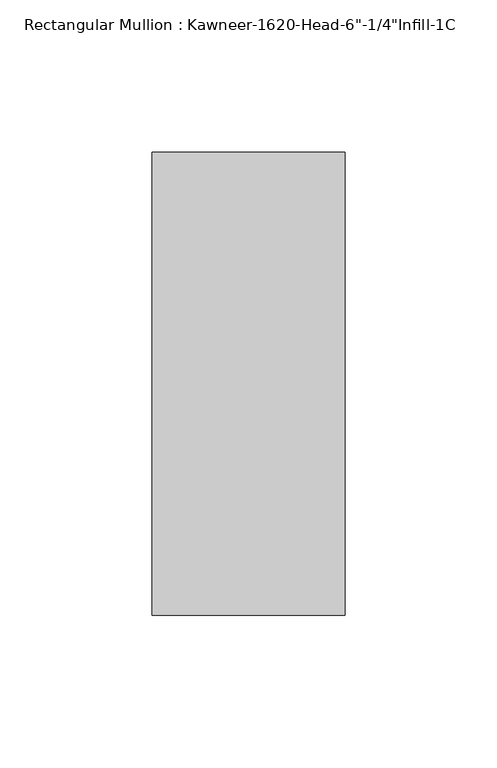
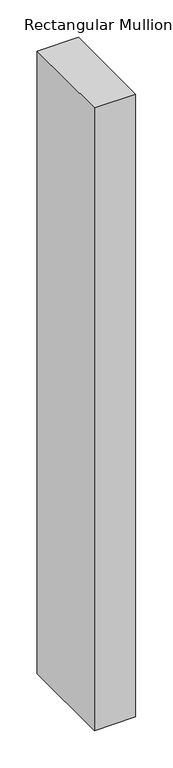
"""IFC4 building model written with IfcOpenShell, lengths in millimetres: member geometry."""

from ifc_helpers import new_model, si_unit, frame, origin, place, context, project, spatial, polyline, outline, extrude, source, transform, mapped, element, save


def member_93feeb89(model_context):
    return source(origin(), model_context, "Body", "SweptSolid", [
        extrude(outline(polyline([(-63.5, 28.575), (0.0, 28.575), (0.0, -123.825), (-63.5, -123.825), (-63.5, 28.575)])), frame((0.0, 0.0, -1015.1317631), z_axis=(0.0, 0.0, 1.0), x_axis=(1.0, 0.0, 0.0)), (0.0, 0.0, 1.0), 1015.1317631),
    ])


if __name__ == "__main__":
    model = new_model("IFC4")
    model_context = context("Model", 3, world=origin())
    ifc_project = project(units=[si_unit("LENGTHUNIT", "METRE", prefix="MILLI")], contexts=[model_context])
    site = spatial("IfcSite", under=ifc_project)
    building = spatial("IfcBuilding", under=site)
    placement = place(None, origin())
    member_shape = member_93feeb89(model_context)
    element("IfcMember", 1, ObjectType="Rectangular Mullion : Kawneer-1620-Head-6\"-1/4\"Infill-1C", at=placement, inside=building, context=model_context, shape_type="MappedRepresentation", body=[
        mapped(member_shape, transform((0.0, 0.0, 0.0), x_axis=(1.0, 0.0, 0.0), y_axis=(0.0, 1.0, 0.0), z_axis=(0.0, 0.0, 1.0))),
    ])
    save(model, "model.ifc")
